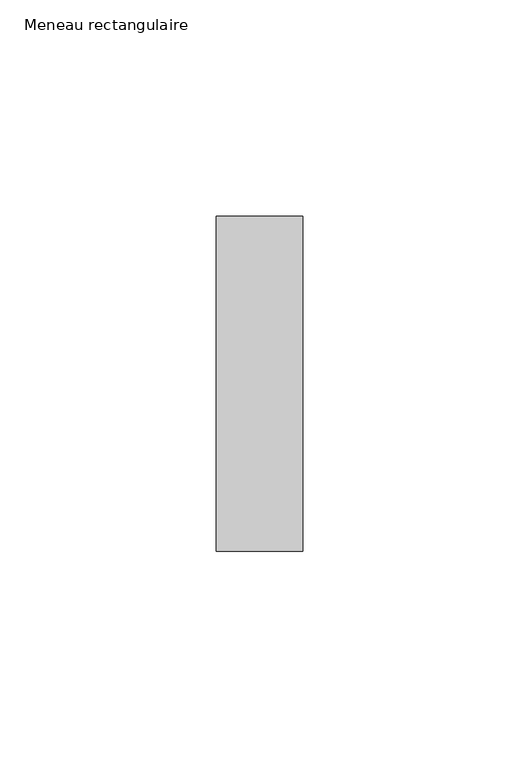
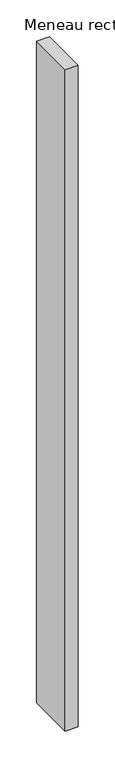
"""IFC4 building model written with IfcOpenShell, lengths in millimetres: member geometry, Meneau rectangulaire."""

from ifc_helpers import new_model, si_unit, frame, origin, place, context, project, spatial, polyline, outline, extrude, source, transform, mapped, element, save


def meneau_rectangulaire_3137c123(model_context):
    return source(origin(), model_context, "Body", "SweptSolid", [
        extrude(outline(polyline([(0.0, 38.75), (0.0, -38.75), (-20.0, -38.75), (-20.0, 38.75), (0.0, 38.75)])), frame((0.0, 0.0, -1094.6250002), z_axis=(0.0, 0.0, 1.0), x_axis=(1.0, 0.0, 0.0)), (0.0, 0.0, 1.0), 1094.6250002),
    ])


if __name__ == "__main__":
    model = new_model("IFC4")
    model_context = context("Model", 3, world=origin())
    ifc_project = project(units=[si_unit("LENGTHUNIT", "METRE", prefix="MILLI")], contexts=[model_context])
    site = spatial("IfcSite", under=ifc_project)
    building = spatial("IfcBuilding", under=site)
    placement = place(None, origin())
    meneau_rectangulaire_shape = meneau_rectangulaire_3137c123(model_context)
    element("IfcMember", 1, ObjectType="Meneau rectangulaire", at=placement, inside=building, context=model_context, shape_type="MappedRepresentation", body=[
        mapped(meneau_rectangulaire_shape, transform((0.0, 0.0, 0.0), x_axis=(1.0, 0.0, 0.0), y_axis=(0.0, 1.0, 0.0), z_axis=(0.0, 0.0, 1.0))),
    ])
    save(model, "model.ifc")
